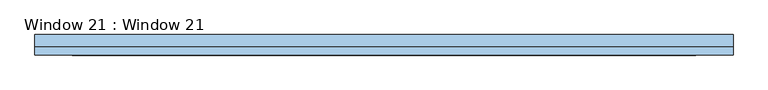
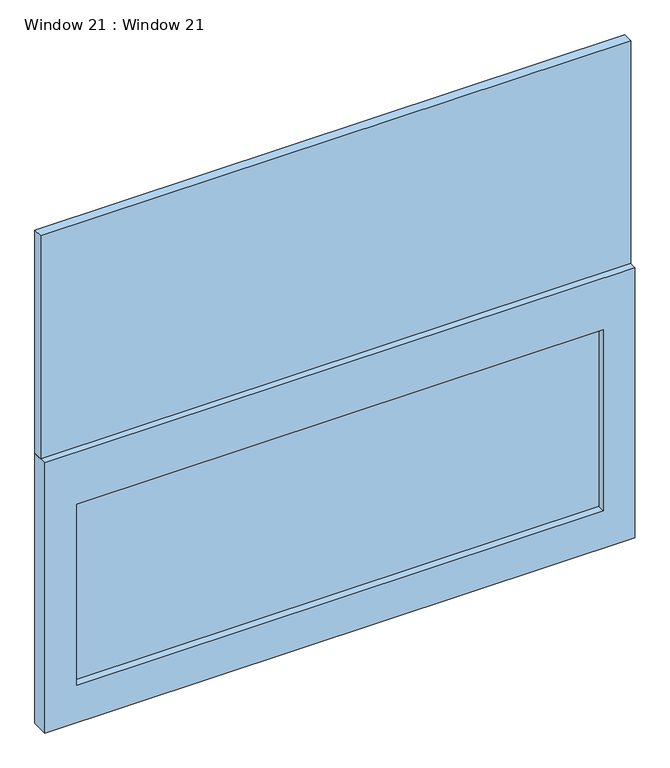
"""IFC4 building model written with IfcOpenShell, lengths in millimetres: window geometry, Window 21 : Window 21."""

from ifc_helpers import new_model, si_unit, frame, origin, place, context, project, spatial, polyline, outline, extrude, source, transform, mapped, element, save


def window_21_window_21_30e4f802(model_context):
    return source(origin(), model_context, "Body", "SweptSolid", [
        extrude(outline(polyline([(673.1, -144.5174793), (-673.1, -144.5174793), (-673.1, -119.126), (673.1, -119.126), (673.1, -144.5174793)])), frame((0.0, 0.0, 1016.0), z_axis=(0.0, 0.0, 1.0), x_axis=(1.0, 0.0, 0.0)), (0.0, 0.0, 1.0), 488.5891319),
        extrude(outline(polyline([(753.872, -144.5174793), (-753.872, -144.5174793), (-753.872, -119.126), (753.872, -119.126), (753.872, -144.5174793)])), frame((0.0, 0.0, 1644.2891319), z_axis=(0.0, 0.0, 1.0), x_axis=(1.0, 0.0, 0.0)), (0.0, 0.0, 1.0), 602.0868681),
        extrude(outline(polyline([(1644.2891319, 753.872), (1644.2891319, -753.872), (914.4, -753.872), (914.4, 753.872), (1644.2891319, 753.872)]), holes=[polyline([(1504.5891319, -673.1), (1504.5891319, 673.1), (1016.0, 673.1), (1016.0, -673.1), (1504.5891319, -673.1)])]), frame((0.0, -163.4391623, 0.0), z_axis=(0.0, 1.0, 0.0), x_axis=(0.0, 0.0, 1.0)), (0.0, 0.0, 1.0), 44.3131623),
    ])


if __name__ == "__main__":
    model = new_model("IFC4")
    model_context = context("Model", 3, world=origin())
    ifc_project = project(units=[si_unit("LENGTHUNIT", "METRE", prefix="MILLI")], contexts=[model_context])
    site = spatial("IfcSite", under=ifc_project)
    building = spatial("IfcBuilding", under=site)
    placement = place(None, origin())
    window_21_window_21_shape = window_21_window_21_30e4f802(model_context)
    element("IfcWindow", 1, ObjectType="Window 21 : Window 21", at=placement, inside=building, context=model_context, shape_type="MappedRepresentation", body=[
        mapped(window_21_window_21_shape, transform((0.0, 0.0, 0.0), x_axis=(1.0, 0.0, 0.0), y_axis=(0.0, 1.0, 0.0), z_axis=(0.0, 0.0, 1.0))),
    ])
    save(model, "model.ifc")
